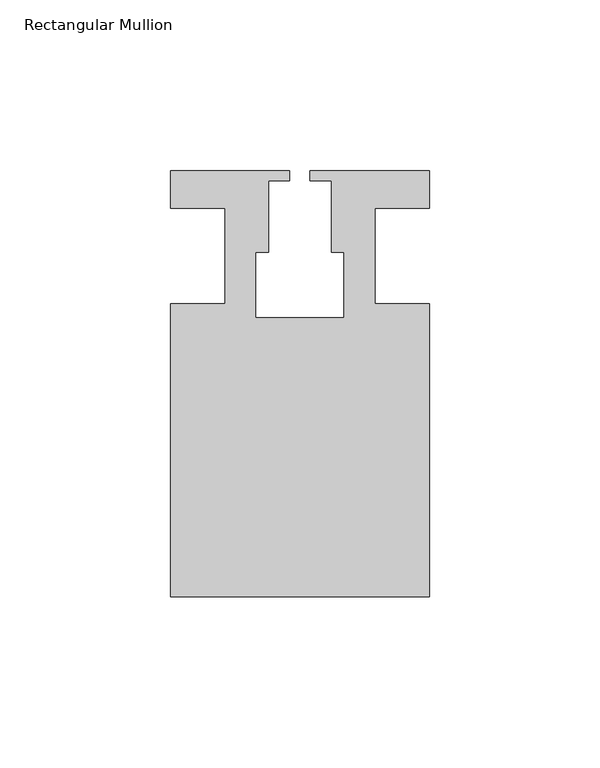
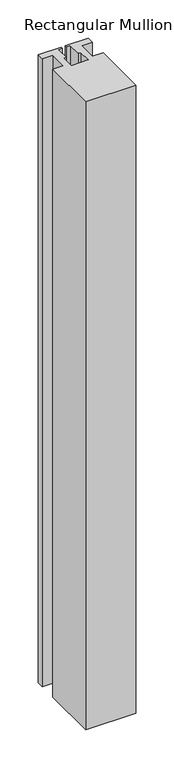
"""IFC4 building model written with IfcOpenShell, lengths in millimetres: member geometry, Rectangular Mullion."""

from ifc_helpers import new_model, si_unit, frame, origin, place, context, project, spatial, polyline, outline, extrude, source, transform, mapped, element, save


def rectangular_mullion_58f9c33e(model_context):
    return source(origin(), model_context, "Body", "SweptSolid", [
        extrude(outline(polyline([(37.9999914, -99.9960123), (-37.9999896, -99.9960123), (-37.9999896, -13.9960123), (-21.9999633, -13.9960123), (-21.9999633, 14.0039877), (-37.9999896, 14.0039877), (-37.9999896, 25.0039877), (-2.9999896, 25.0039877), (-2.9999896, 22.0039877), (-9.1999633, 22.0039877), (-9.1999633, 1.0039877), (-12.9999633, 1.0039877), (-12.9999633, -18.1960075), (12.9999651, -18.1960075), (12.9999651, 1.0039877), (9.1999651, 1.0039877), (9.1999651, 22.0039877), (2.9999651, 22.0039877), (2.9999651, 25.0039877), (37.9999896, 25.0039877), (37.9999896, 14.0039877), (21.9999651, 14.0039877), (21.9999651, -13.9960123), (37.9999914, -13.9960123), (37.9999914, -99.9960123)])), frame((0.0, 0.0, -1006.6595328), z_axis=(0.0, 0.0, 1.0), x_axis=(1.0, 0.0, 0.0)), (0.0, 0.0, 1.0), 1006.6595328),
    ])


if __name__ == "__main__":
    model = new_model("IFC4")
    model_context = context("Model", 3, world=origin())
    ifc_project = project(units=[si_unit("LENGTHUNIT", "METRE", prefix="MILLI")], contexts=[model_context])
    site = spatial("IfcSite", under=ifc_project)
    building = spatial("IfcBuilding", under=site)
    placement = place(None, origin())
    rectangular_mullion_shape = rectangular_mullion_58f9c33e(model_context)
    element("IfcMember", 1, ObjectType="Rectangular Mullion", at=placement, inside=building, context=model_context, shape_type="MappedRepresentation", body=[
        mapped(rectangular_mullion_shape, transform((0.0, 0.0, 0.0), x_axis=(1.0, 0.0, 0.0), y_axis=(0.0, 1.0, 0.0), z_axis=(0.0, 0.0, 1.0))),
    ])
    save(model, "model.ifc")
